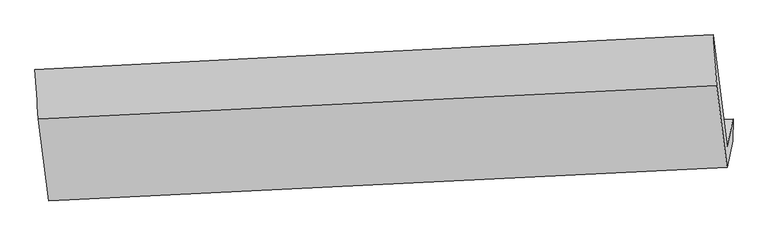
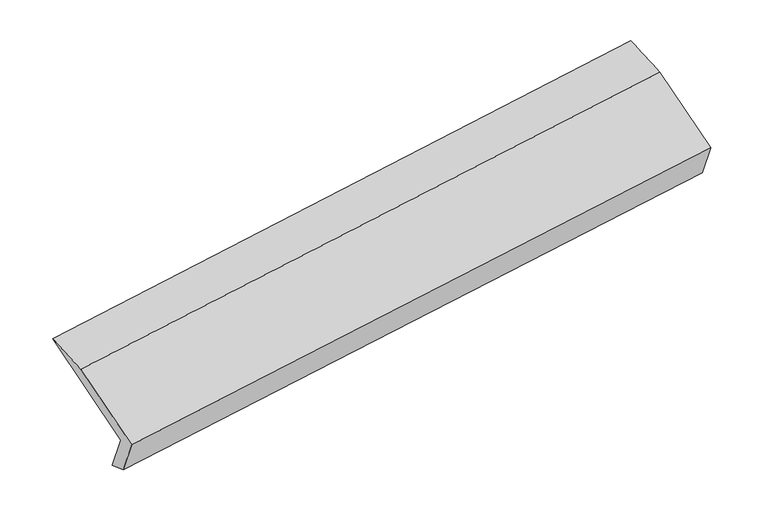
"""IFC4 building model written with IfcOpenShell, lengths in millimetres: proxy geometry."""

from ifc_helpers import new_model, si_unit, frame, origin, place, context, project, spatial, source, transform, mapped, element, save
from ifc_brep_helpers import plane_surface, spline_surface, advanced_brep


def generic_models_99e4cdf9(model_context):
    return source(origin(), model_context, "Body", "AdvancedBrep", [
        advanced_brep(
        [(-5212.4441931, -1647.6622098, 1191.0376073), (-5254.5100894, -1841.688564, 1538.046582), (-436.6143236, -1603.7887186, 2243.5904556), (-394.5484274, -1409.7623644, 1896.5814809), (-5213.8857836, -1803.2340245, 1250.0144812), (-395.9900179, -1565.3341791, 1955.5583548), (-5255.2242955, -1993.9053632, 1591.0231345), (-437.3285298, -1756.0055178, 2296.5670081), (-5329.385398, -1408.275459, 1909.4817049), (-511.4896323, -1170.3756136, 2615.0255785), (-5353.8002796, -1057.6211396, 1964.4131135), (-537.0101921, -810.9900565, 2674.7049302)],
        [
            (0, 1),
            (1, 2),
            (2, 3),
            (3, 0),
            (4, 0),
            (3, 5),
            (5, 4),
            (6, 4),
            (5, 7),
            (7, 6),
            (8, 6),
            (7, 9),
            (9, 8),
            (10, 8),
            (9, 11),
            (11, 10),
            (1, 10),
            (11, 2),
        ],
        [
            plane_surface(frame((-5233.4771412, -1744.6753869, 1364.5420947), z_axis=(-0.1125948005817235, 0.8730275499090306, 0.47449479236530834), x_axis=(-0.10522032666241904, -0.4853222726738939, 0.8679809758881242))),
            plane_surface(frame((-5213.1649884, -1725.4481172, 1220.5260442), z_axis=(0.15261958592358607, -0.35156365576796783, -0.9236396797104242), x_axis=(0.008664346405332845, 0.9350284318254376, -0.3544668683804333))),
            plane_surface(frame((-5234.5550395, -1898.5696939, 1420.5188079), z_axis=(0.11259480058172361, -0.8730275499090306, -0.4744947923653084), x_axis=(0.10522032666241901, 0.48532227267389394, -0.8679809758881242))),
            plane_surface(frame((-5292.3048467, -1701.0904111, 1750.2524197), z_axis=(-0.10319289136047313, -0.4852268680718022, 0.8682776708368675), x_axis=(0.11056781925745392, -0.8731237703725316, -0.47479431226069435))),
            spline_surface(1, 1, [[(-5353.8002796, -1057.6211396, 1964.4131135), (-537.0101921, -810.9900565, 2674.7049302)], [(-5329.385398, -1408.275459, 1909.4817049), (-511.4896323, -1170.3756136, 2615.0255785)]], [2, 2], [2, 2], [0.0, 1.0], [0.0, 1.0]),
            plane_surface(frame((-5304.1551845, -1449.6548518, 1751.2298478), z_axis=(0.103192891360472, 0.4852268680718105, -0.8682776708368629), x_axis=(-0.11056781925745572, 0.873123770372527, 0.4747943122607025))),
            plane_surface(frame((-452.1635205, -1386.0427417, 2280.337968), z_axis=(0.988283076958067, 0.046012751027377743, 0.14553139366194456), x_axis=(0.11056781925745392, -0.8731237703725316, -0.47479431226069435))),
            plane_surface(frame((-5269.8750065, -1625.3977934, 1574.0027706), z_axis=(-0.9882830769580655, -0.046012751027391344, -0.14553139366195167), x_axis=(0.10522032666241872, 0.48532227267389394, -0.8679809758881243))),
        ],
        [
            (0, [[1, 2, 3, 4]]),
            (1, [[5, -4, 6, 7]]),
            (2, [[8, -7, 9, 10]]),
            (3, [[11, -10, 12, 13]]),
            (4, [[14, -13, 15, 16]]),
            (5, [[17, -16, 18, -2]]),
            (6, [[-12, -9, -6, -3, -18, -15]]),
            (7, [[-1, -5, -8, -11, -14, -17]]),
        ],
    ),
    ])


if __name__ == "__main__":
    model = new_model("IFC4")
    model_context = context("Model", 3, world=origin())
    ifc_project = project(units=[si_unit("LENGTHUNIT", "METRE", prefix="MILLI")], contexts=[model_context])
    site = spatial("IfcSite", under=ifc_project)
    building = spatial("IfcBuilding", under=site)
    placement = place(None, origin())
    generic_models_shape = generic_models_99e4cdf9(model_context)
    element("IfcBuildingElementProxy", 1, Name="Generic Models", at=placement, inside=building, context=model_context, shape_type="MappedRepresentation", body=[
        mapped(generic_models_shape, transform((0.0, 0.0, 0.0), x_axis=(1.0, 0.0, 0.0), y_axis=(0.0, 1.0, 0.0), z_axis=(0.0, 0.0, 1.0))),
    ])
    save(model, "model.ifc")
